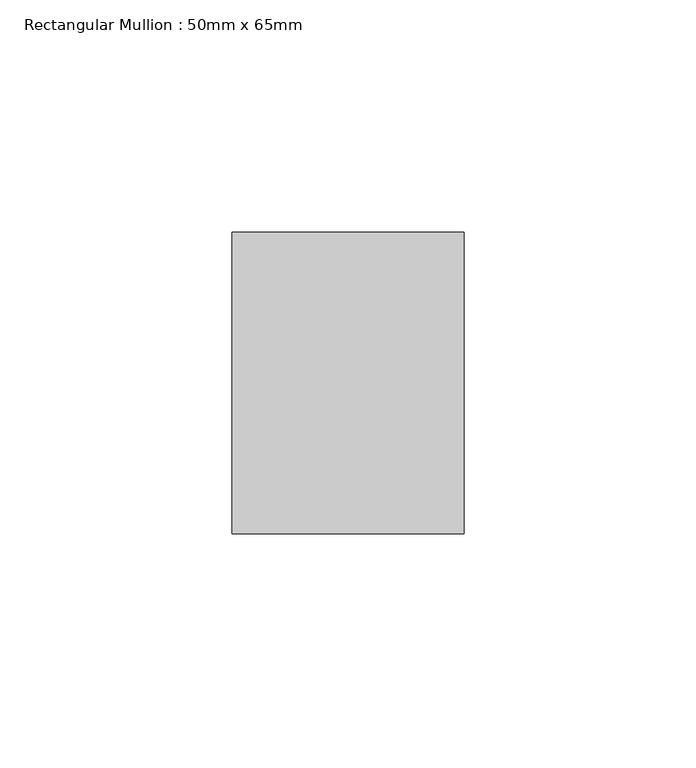
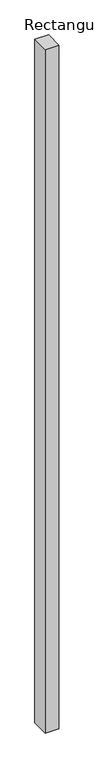
"""IFC4 building model written with IfcOpenShell, lengths in millimetres: member geometry, Rectangular Mullion : 50mm x 65mm."""

from ifc_helpers import new_model, si_unit, frame, origin, place, context, project, spatial, polyline, outline, extrude, source, transform, mapped, element, save


def rectangular_mullion_50mm_x_65mm_2a0b4305(model_context):
    return source(origin(), model_context, "Body", "SweptSolid", [
        extrude(outline(polyline([(25.0, 32.5), (25.0, -32.5), (-25.0, -32.5), (-25.0, 32.5), (25.0, 32.5)])), frame((0.0, 0.0, -2625.0746155), z_axis=(0.0, 0.0, 1.0), x_axis=(1.0, 0.0, 0.0)), (0.0, 0.0, 1.0), 2625.0746155),
    ])


if __name__ == "__main__":
    model = new_model("IFC4")
    model_context = context("Model", 3, world=origin())
    ifc_project = project(units=[si_unit("LENGTHUNIT", "METRE", prefix="MILLI")], contexts=[model_context])
    site = spatial("IfcSite", under=ifc_project)
    building = spatial("IfcBuilding", under=site)
    placement = place(None, origin())
    rectangular_mullion_50mm_x_65mm_shape = rectangular_mullion_50mm_x_65mm_2a0b4305(model_context)
    element("IfcMember", 1, ObjectType="Rectangular Mullion : 50mm x 65mm", at=placement, inside=building, context=model_context, shape_type="MappedRepresentation", body=[
        mapped(rectangular_mullion_50mm_x_65mm_shape, transform((0.0, 0.0, 0.0), x_axis=(1.0, 0.0, 0.0), y_axis=(0.0, 1.0, 0.0), z_axis=(0.0, 0.0, 1.0))),
    ])
    save(model, "model.ifc")
